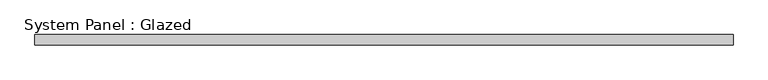
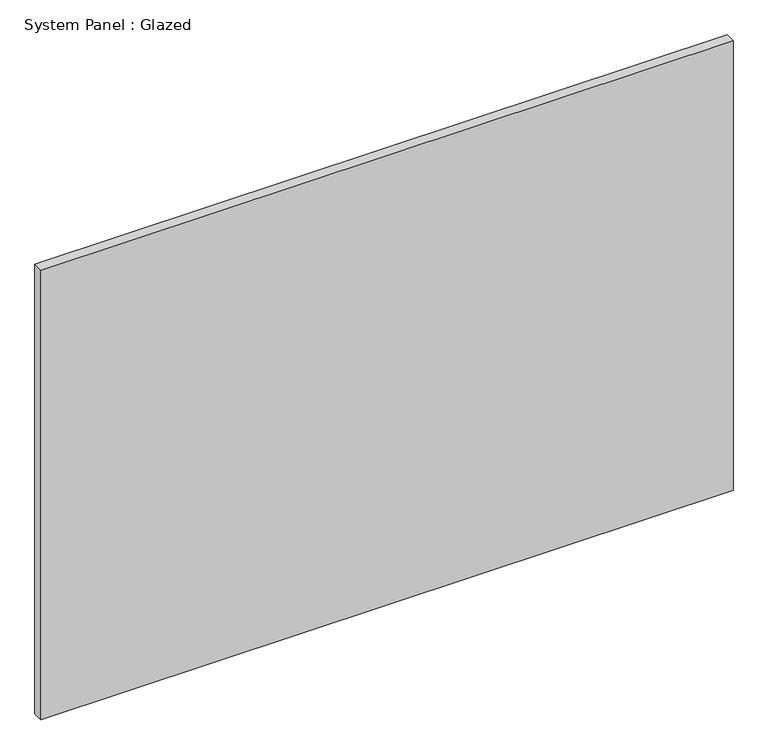
"""IFC4 building model written with IfcOpenShell, lengths in millimetres: plate geometry, System Panel : Glazed."""

from ifc_helpers import new_model, si_unit, origin, origin_with_axes, place, context, project, spatial, polyline, outline, extrude, source, transform, mapped, element, save


def system_panel_glazed_3e3dc418(model_context):
    return source(origin(), model_context, "Body", "SweptSolid", [
        extrude(outline(polyline([(864.6583333, -12.7), (-864.6583333, -12.7), (-864.6583333, 12.7), (864.6583333, 12.7), (864.6583333, -12.7)])), origin_with_axes(), (0.0, 0.0, 1.0), 1187.45),
    ])


if __name__ == "__main__":
    model = new_model("IFC4")
    model_context = context("Model", 3, world=origin())
    ifc_project = project(units=[si_unit("LENGTHUNIT", "METRE", prefix="MILLI")], contexts=[model_context])
    site = spatial("IfcSite", under=ifc_project)
    building = spatial("IfcBuilding", under=site)
    placement = place(None, origin())
    system_panel_glazed_shape = system_panel_glazed_3e3dc418(model_context)
    element("IfcPlate", 1, ObjectType="System Panel : Glazed", at=placement, inside=building, context=model_context, shape_type="MappedRepresentation", body=[
        mapped(system_panel_glazed_shape, transform((0.0, 0.0, 0.0), x_axis=(1.0, 0.0, 0.0), y_axis=(0.0, 1.0, 0.0), z_axis=(0.0, 0.0, 1.0))),
    ])
    save(model, "model.ifc")
